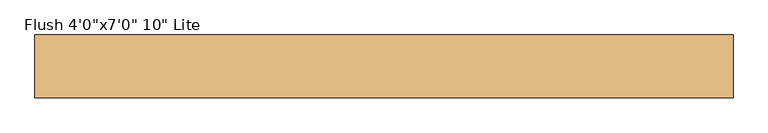
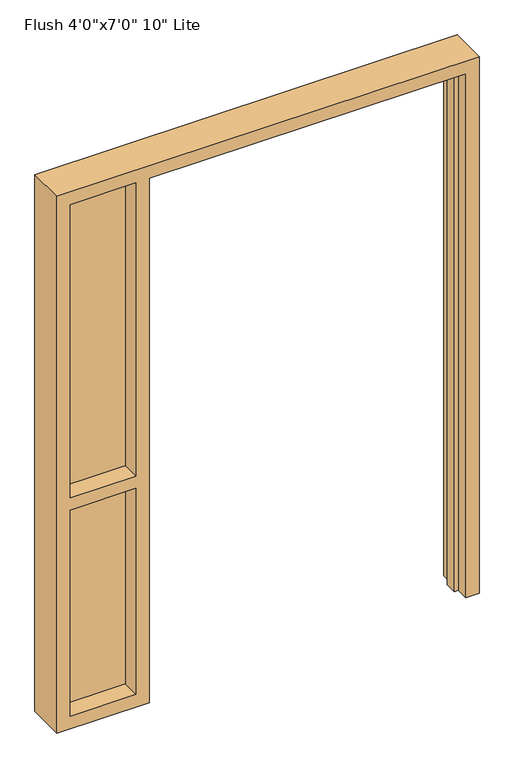
"""IFC4 building model written with IfcOpenShell, lengths in millimetres: door geometry."""

import ifcopenshell
import ifcopenshell.guid

model = None  # the IFC model being written
_history = None  # IfcOwnerHistory: only IFC2X3 demands one
_inside = {}  # id of a spatial element -> (the spatial element, [elements in it])
_under = {}  # id of a project, library or spatial element -> (it, [spatial elements below it])
_declared = {}  # id of a project -> (the project, [libraries it declares])
_typed = {}  # id of a type object -> (the type object, [elements of that type])
_made_of = {}  # id of a material, layer set ... -> (it, [elements and type objects made of it])


def new_model(schema):
    """Start an empty IFC model of exactly this schema.

    Asked for "IFC4X3", IfcOpenShell would pick the latest addendum, in which some entities
    have other attributes; the version numbers below select the first issue.
    IFC2X3 requires an IfcOwnerHistory on every rooted entity: one is made here for all.
    """
    global model, _history
    if schema == "IFC4X3":
        model = ifcopenshell.file(schema_version=(4, 3, 0, 0))
    else:
        model = ifcopenshell.file(schema=schema)
    _inside.clear()
    _under.clear()
    _declared.clear()
    _typed.clear()
    _made_of.clear()
    _history = None
    if model.schema == "IFC2X3":
        org = make("IfcOrganization", Name="unknown")
        user = make(
            "IfcPersonAndOrganization",
            ThePerson=make("IfcPerson", FamilyName="unknown"),
            TheOrganization=org,
        )
        app = make(
            "IfcApplication",
            ApplicationDeveloper=org,
            Version="unknown",
            ApplicationFullName="unknown",
            ApplicationIdentifier="unknown",
        )
        _history = make(
            "IfcOwnerHistory",
            OwningUser=user,
            OwningApplication=app,
            ChangeAction="ADDED",
            CreationDate=0,
        )
    return model


def make(cls, **values):
    """One entity of the class cls with the attributes given. An attribute that is None is left unset."""
    return model.create_entity(
        cls, **{name: value for name, value in values.items() if value is not None}
    )


def rooted(cls, **values):
    """An entity with a GlobalId (a new one), such as an element, a storey or a relation."""
    return make(cls, GlobalId=ifcopenshell.guid.new(), OwnerHistory=_history, **values)


def si_unit(unit_type, name, prefix=None):
    """IfcSIUnit, for example si_unit("LENGTHUNIT", "METRE", prefix="MILLI")."""
    return make("IfcSIUnit", UnitType=unit_type, Prefix=prefix, Name=name)


def assignment(units):
    """IfcUnitAssignment: the units of a project."""
    return None if units is None else make("IfcUnitAssignment", Units=units)


def point(xyz):
    """IfcCartesianPoint."""
    return None if xyz is None else make("IfcCartesianPoint", Coordinates=xyz)


def direction(xyz):
    """IfcDirection."""
    return None if xyz is None else make("IfcDirection", DirectionRatios=xyz)


def frame(location, z_axis=None, x_axis=None):
    """IfcAxis2Placement3D, a coordinate frame: its origin and axes. An axis left out is left unset."""
    return make(
        "IfcAxis2Placement3D",
        Location=point(location),
        Axis=direction(z_axis),
        RefDirection=direction(x_axis),
    )


def origin():
    """The frame at (0, 0, 0) with its axes left unset."""
    return frame((0.0, 0.0, 0.0))


def place(relative_to, where):
    """IfcLocalPlacement: puts the frame where relative to a parent placement (None: the world)."""
    return make(
        "IfcLocalPlacement", PlacementRelTo=relative_to, RelativePlacement=where
    )


def context(
    kind, dimensions, precision=None, world=None, true_north=None, identifier=None
):
    """IfcGeometricRepresentationContext, for example the 3D "Model" context."""
    return make(
        "IfcGeometricRepresentationContext",
        ContextIdentifier=identifier,
        ContextType=kind,
        CoordinateSpaceDimension=dimensions,
        Precision=precision,
        WorldCoordinateSystem=world,
        TrueNorth=true_north,
    )


def project(units=None, contexts=None):
    """IfcProject with its units and contexts."""
    return rooted(
        "IfcProject",
        Name="project",
        RepresentationContexts=contexts,
        UnitsInContext=assignment(units),
    )


def spatial(cls, under=None, at=None, **own):
    """A site, building, storey or space (cls), placed at a placement, below another one or the project."""
    s = rooted(cls, ObjectPlacement=at, **own)
    if under is not None:
        _under.setdefault(under.id(), (under, []))[1].append(s)
    return s


def polyline(points):
    """IfcPolyline through the points."""
    return make("IfcPolyline", Points=[point(p) for p in points])


def outline(outer, holes=None, kind="AREA"):
    """IfcArbitraryClosedProfileDef: a profile drawn as a closed curve; with holes, ...WithVoids."""
    if holes is None:
        return make("IfcArbitraryClosedProfileDef", ProfileType=kind, OuterCurve=outer)
    return make(
        "IfcArbitraryProfileDefWithVoids",
        ProfileType=kind,
        OuterCurve=outer,
        InnerCurves=holes,
    )


def extrude(swept, where, along, depth):
    """IfcExtrudedAreaSolid: the profile swept, set in the frame where, extruded along a direction by depth."""
    return make(
        "IfcExtrudedAreaSolid",
        SweptArea=swept,
        Position=where,
        ExtrudedDirection=direction(along),
        Depth=depth,
    )


def shape(context_of_items, identifier, shape_type, items):
    """IfcShapeRepresentation: the items that make up one representation, for example the "Body"."""
    return make(
        "IfcShapeRepresentation",
        ContextOfItems=context_of_items,
        RepresentationIdentifier=identifier,
        RepresentationType=shape_type,
        Items=items,
    )


def source(mapping_origin, context_of_items, identifier, shape_type, items):
    """IfcRepresentationMap: a shape defined once, which mapped items show again and again."""
    return make(
        "IfcRepresentationMap",
        MappingOrigin=mapping_origin,
        MappedRepresentation=shape(context_of_items, identifier, shape_type, items),
    )


def transform(
    local_origin,
    x_axis=None,
    y_axis=None,
    z_axis=None,
    scale=None,
    scale2=None,
    scale3=None,
    uniform=True,
):
    """IfcCartesianTransformationOperator3D, or its non-uniform kind. x_axis, y_axis, z_axis: its Axis1, 2, 3."""
    if uniform:
        return make(
            "IfcCartesianTransformationOperator3D",
            Axis1=direction(x_axis),
            Axis2=direction(y_axis),
            LocalOrigin=point(local_origin),
            Scale=scale,
            Axis3=direction(z_axis),
        )
    return make(
        "IfcCartesianTransformationOperator3DnonUniform",
        Axis1=direction(x_axis),
        Axis2=direction(y_axis),
        LocalOrigin=point(local_origin),
        Scale=scale,
        Axis3=direction(z_axis),
        Scale2=scale2,
        Scale3=scale3,
    )


def mapped(mapping_source, mapping_target):
    """IfcMappedItem: shows the shape of a source again, moved by a transform."""
    return make(
        "IfcMappedItem", MappingSource=mapping_source, MappingTarget=mapping_target
    )


def made_of(thing, what):
    """Note that an element or type object is made of a material, layer set ...; save() writes the relation."""
    if what is not None:
        _made_of.setdefault(what.id(), (what, []))[1].append(thing)
    return thing


def element(
    cls,
    number,
    at=None,
    inside=None,
    cuts=None,
    type_object=None,
    material=None,
    context=None,
    identifier="Body",
    shape_type=None,
    held_by="IfcProductDefinitionShape",
    body=None,
    shapes=None,
    **own,
):
    """One element of the class cls, such as IfcWall. Its Tag is "e" and its number.

    at: its placement. inside: the storey or other place that contains it. cuts: it is an
    opening in that element (IfcRelVoidsElement). A single representation is given by context,
    identifier, shape_type and body (its items); several are given by shapes. held_by: the class
    of the entity that holds the representations. save() writes the other relations.
    """
    e = rooted(cls, Tag="e%d" % number, ObjectPlacement=at, **own)
    if body is not None:
        shapes = [shape(context, identifier, shape_type, body)]
    if shapes is not None:
        e.Representation = make(held_by, Representations=shapes)
    if inside is not None:
        _inside.setdefault(inside.id(), (inside, []))[1].append(e)
    if cuts is not None:
        rooted(
            "IfcRelVoidsElement", RelatingBuildingElement=cuts, RelatedOpeningElement=e
        )
    if type_object is not None:
        _typed.setdefault(type_object.id(), (type_object, []))[1].append(e)
    return made_of(e, material)


def aggregate(whole, parts):
    """IfcRelAggregates: a whole, such as a stair, and the parts it consists of."""
    return rooted("IfcRelAggregates", RelatingObject=whole, RelatedObjects=parts)


def save(model, path):
    """Write the relations noted so far, then the file.

    IfcRelAggregates (storeys below a building ...), IfcRelContainedInSpatialStructure (elements
    in a storey), IfcRelDefinesByType, IfcRelAssociatesMaterial and IfcRelDeclares: one each for
    every whole, place, type object, material and project.
    """
    for whole, parts in _under.values():
        aggregate(whole, parts)
    for where, things in _inside.values():
        rooted(
            "IfcRelContainedInSpatialStructure",
            RelatedElements=things,
            RelatingStructure=where,
        )
    for kind, things in _typed.values():
        rooted("IfcRelDefinesByType", RelatedObjects=things, RelatingType=kind)
    for what, things in _made_of.values():
        rooted("IfcRelAssociatesMaterial", RelatedObjects=things, RelatingMaterial=what)
    for by, libraries in _declared.values():
        rooted("IfcRelDeclares", RelatingContext=by, RelatedDefinitions=libraries)
    model.write(path)


def door_b84b9fe1(model_context):
    return source(origin(), model_context, "Body", "SweptSolid", [
        extrude(outline(polyline([(-660.4, 4.7625), (-914.4, 4.7625), (-914.4, 11.1125), (-660.4, 11.1125), (-660.4, 4.7625)])), frame((0.0, 0.0, 939.8), z_axis=(0.0, 0.0, 1.0), x_axis=(1.0, 0.0, 0.0)), (0.0, 0.0, 1.0), 1193.8),
        extrude(outline(polyline([(0.0, 609.6), (0.0, 660.4), (2184.4, 660.4), (2184.4, -965.2), (0.0, -965.2), (0.0, -609.6), (2133.6, -609.6), (2133.6, 609.6), (0.0, 609.6)]), holes=[polyline([(939.8, -914.4), (2133.6, -914.4), (2133.6, -660.4), (939.8, -660.4), (939.8, -914.4)]), polyline([(889.0, -660.4), (50.8, -660.4), (50.8, -914.4), (889.0, -914.4), (889.0, -660.4)])]), frame((0.0, -65.0875, 0.0), z_axis=(0.0, 1.0, 0.0), x_axis=(0.0, 0.0, 1.0)), (0.0, 0.0, 1.0), 146.05),
        extrude(outline(polyline([(0.0, 593.725), (0.0, 609.6), (2133.6, 609.6), (2133.6, -609.6), (0.0, -609.6), (0.0, -593.725), (2117.725, -593.725), (2117.725, 593.725), (0.0, 593.725)])), frame((0.0, -15.875, 0.0), z_axis=(0.0, 1.0, 0.0), x_axis=(0.0, 0.0, 1.0)), (0.0, 0.0, 1.0), 47.625),
        extrude(outline(polyline([(-660.4, 4.7625), (-914.4, 4.7625), (-914.4, 11.1125), (-660.4, 11.1125), (-660.4, 4.7625)])), frame((0.0, 0.0, 50.8), z_axis=(0.0, 0.0, 1.0), x_axis=(1.0, 0.0, 0.0)), (0.0, 0.0, 1.0), 838.2),
    ])


if __name__ == "__main__":
    model = new_model("IFC4")
    model_context = context("Model", 3, world=origin())
    ifc_project = project(units=[si_unit("LENGTHUNIT", "METRE", prefix="MILLI")], contexts=[model_context])
    site = spatial("IfcSite", under=ifc_project)
    building = spatial("IfcBuilding", under=site)
    placement = place(None, origin())
    door_shape = door_b84b9fe1(model_context)
    element("IfcDoor", 1, ObjectType="Flush 4'0\"x7'0\" 10\" Lite", at=placement, inside=building, context=model_context, shape_type="MappedRepresentation", body=[
        mapped(door_shape, transform((0.0, 0.0, 0.0), x_axis=(1.0, 0.0, 0.0), y_axis=(0.0, 1.0, 0.0), z_axis=(0.0, 0.0, 1.0))),
    ])
    save(model, "model.ifc")
